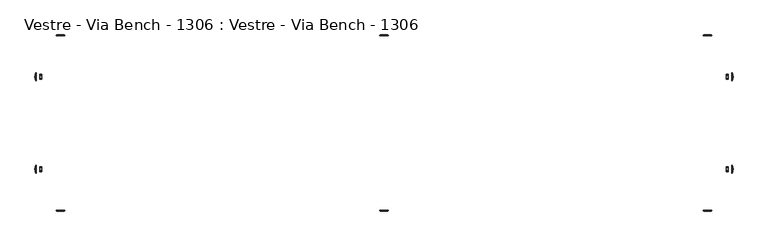
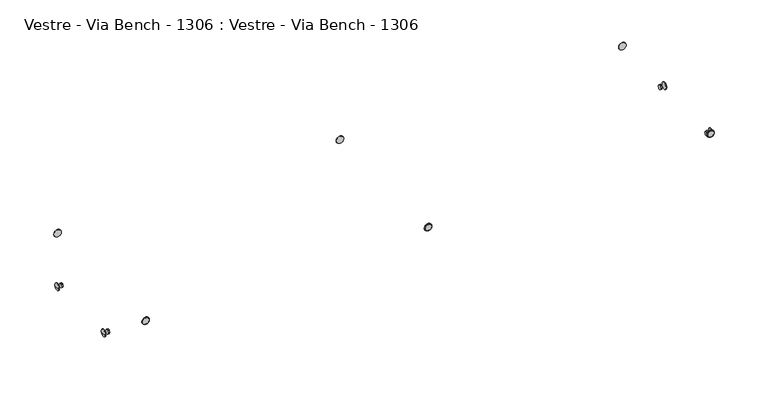
"""IFC4 building model written with IfcOpenShell, lengths in millimetres: furniture geometry, Vestre - Via Bench - 1306 : Vestre - Via Bench - 1306."""

from ifc_helpers import new_model, si_unit, point, frame, origin, place, context, project, spatial, polyline, circle_curve, ellipse_curve, trimmed, faceted_brep, source, transform, mapped, element, save
from ifc_brep_helpers import plane_surface, cylinder_surface, revolved_surface, advanced_brep


def vestre_via_bench_1306_vestre_via_bench_1306_6b262dde(model_context):
    return source(origin(), model_context, "Body", "SolidModel", [
        advanced_brep(
        [(-955.8995329, -257.2, 414.0553515), (-934.0131788, -257.2, 414.0553515), (-932.4972559, -254.7292979, 414.0553515), (-957.4154558, -254.7292979, 414.0553515), (-932.4972559, -255.6840771, 414.0553515), (-957.4154558, -255.6840771, 414.0553515)],
        [
            (0, 1, circle_curve(frame((-944.9563558, -257.2, 414.0553515), z_axis=(0.0, -1.0, 0.0), x_axis=(-1.0, 0.0, 0.0)), 10.943177)),
            (1, 0, circle_curve(frame((-944.9563558, -257.2, 414.0553515), z_axis=(0.0, -1.0, 0.0), x_axis=(1.0, 0.0, 0.0)), 10.943177)),
            (2, 3, circle_curve(frame((-944.9563558, -254.7292979, 414.0553515), z_axis=(0.0, 1.0, 0.0), x_axis=(-1.0, 0.0, 0.0)), 12.4590999)),
            (3, 2, circle_curve(frame((-944.9563558, -254.7292979, 414.0553515), z_axis=(0.0, 1.0, 0.0), x_axis=(1.0, 0.0, 0.0)), 12.4590999)),
            (4, 5, circle_curve(frame((-944.9563558, -255.6840771, 414.0553515), z_axis=(0.0, 1.0, 0.0), x_axis=(-1.0, 0.0, 0.0)), 12.4590999)),
            (5, 3),
            (2, 4),
            (4, 1),
            (0, 5),
            (5, 4, circle_curve(frame((-944.9563558, -255.6840771, 414.0553515), z_axis=(0.0, 1.0, 0.0), x_axis=(1.0, 0.0, 0.0)), 12.4590999)),
        ],
        [
            plane_surface(frame((-946.9111476, -257.2, 414.0553515), z_axis=(0.0, -1.0, 0.0), x_axis=(0.0, 0.0, -1.0))),
            plane_surface(frame((-946.9111476, -254.7292979, 414.0553515), z_axis=(0.0, 1.0, 0.0), x_axis=(0.0, 0.0, 1.0))),
            cylinder_surface(frame((-944.9563558, 0.0, 414.0553515), z_axis=(0.0, -1.0, 0.0), x_axis=(-1.0, 0.0, 0.0)), 12.4590999),
            revolved_surface(polyline([(-957.4154558, -255.6840771, 414.0553515), (-955.8995329, -257.2, 414.0553515)]), (-944.9563558, 0.0, 414.0553515), (0.0, -1.0, 0.0)),
            cylinder_surface(frame((-944.9563558, 0.0, 414.0553515), z_axis=(0.0, -1.0, 0.0), x_axis=(1.0, 0.0, 0.0)), 12.4590999),
            revolved_surface(polyline([(-932.4972559, -255.6840771, 414.0553515), (-934.0131788, -257.2, 414.0553515)]), (-944.9563558, 0.0, 414.0553515), (0.0, -1.0, 0.0)),
        ],
        [
            (0, [[1, 2]]),
            (1, [[3, 4]]),
            (2, [[5, 6, -3, 7]]),
            (3, [[-5, 8, -1, 9]]),
            (4, [[-6, 10, -7, -4]]),
            (5, [[-9, -2, -8, -10]]),
        ],
    ),
        faceted_brep([(-999.0521114, -138.7924397, 328.6120499), (-999.0521114, -141.8658905, 323.2886769), (-999.0521114, -141.8658905, 322.1120499), (-999.0521114, -138.7924397, 316.7886769), (-999.0521114, -137.7734508, 316.2003634), (-999.0521114, -131.6265492, 316.2003634), (-999.0521114, -130.6075603, 316.7886769), (-999.0521114, -127.5341095, 322.1120499), (-999.0521114, -127.5341095, 323.2886769), (-999.0521114, -130.6075603, 328.6120499), (-999.0521114, -131.6265492, 329.2003634), (-999.0521114, -137.7734508, 329.2003634), (-1004.9999893, -138.7924397, 328.6120499), (-1004.9999893, -137.7734508, 329.2003634), (-1004.9999893, -131.6265492, 329.2003634), (-1004.9999893, -130.6075603, 328.6120499), (-1004.9999893, -127.5341095, 323.2886769), (-1004.9999893, -127.5341095, 322.1120499), (-1004.9999893, -130.6075603, 316.7886769), (-1004.9999893, -131.6265492, 316.2003634), (-1004.9999893, -137.7734508, 316.2003634), (-1004.9999893, -138.7924397, 316.7886769), (-1004.9999893, -141.8658905, 322.1120499), (-1004.9999893, -141.8658905, 323.2886769)], [[[0, 1, 2, 3, 4, 5, 6, 7, 8, 9, 10, 11]], [[12, 13, 14, 15, 16, 17, 18, 19, 20, 21, 22, 23]], [[0, 11, 13, 12]], [[11, 10, 14, 13]], [[10, 9, 15, 14]], [[9, 8, 16, 15]], [[8, 7, 17, 16]], [[7, 6, 18, 17]], [[6, 5, 19, 18]], [[5, 4, 20, 19]], [[4, 3, 21, 20]], [[3, 2, 22, 21]], [[2, 1, 23, 22]], [[1, 0, 12, 23]]]),
        advanced_brep(
        [(-1019.4648132, -136.4159903, 322.7003634), (-1016.5092775, -146.6695892, 322.7003634), (-1016.5092775, -122.7304108, 322.7003634), (-1019.4648132, -132.9840097, 322.7003634), (-1014.84, -122.7304108, 322.7003634), (-1014.84, -146.6695892, 322.7003634)],
        [
            (0, 1, circle_curve(frame((-1000.2007111, -136.4159903, 322.7003634), z_axis=(0.0, 0.0, 1.0), x_axis=(1.0, 0.0, 0.0)), 19.2641021)),
            (1, 2, circle_curve(frame((-1016.5092775, -134.7, 322.7003634), z_axis=(-1.0, 0.0, 0.0), x_axis=(0.0, -1.0, 0.0)), 11.9695892)),
            (2, 3, circle_curve(frame((-1000.2007111, -132.9840097, 322.7003634), z_axis=(0.0, 0.0, 1.0), x_axis=(1.0, 0.0, 0.0)), 19.2641021)),
            (3, 0, circle_curve(frame((-1019.4648132, -134.7, 322.7003634), z_axis=(1.0, 0.0, 0.0), x_axis=(0.0, -1.0, 0.0)), 1.7159903)),
            (0, 3, circle_curve(frame((-1019.4648132, -134.7, 322.7003634), z_axis=(1.0, 0.0, 0.0), x_axis=(0.0, 1.0, 0.0)), 1.7159903)),
            (2, 1, circle_curve(frame((-1016.5092775, -134.7, 322.7003634), z_axis=(-1.0, 0.0, 0.0), x_axis=(0.0, 1.0, 0.0)), 11.9695892)),
            (4, 5, circle_curve(frame((-1014.84, -134.7, 322.7003634), z_axis=(1.0, 0.0, 0.0), x_axis=(0.0, -1.0, 0.0)), 11.9695892)),
            (5, 4, circle_curve(frame((-1014.84, -134.7, 322.7003634), z_axis=(1.0, 0.0, 0.0), x_axis=(0.0, 1.0, 0.0)), 11.9695892)),
            (5, 1),
            (2, 4),
        ],
        [
            revolved_surface(trimmed(ellipse_curve(frame((-1000.2007111, -136.4159903, 322.7003634), z_axis=(0.0, 0.0, -1.0), x_axis=(1.0, 0.0, 0.0)), 19.2641021, 19.2641021), [point((-1016.5092775, -146.6695892, 322.7003634))], [point((-1019.4648132, -136.4159903, 322.7003634))], True, "CARTESIAN"), (0.0, -134.7, 322.7003634), (-1.0, 0.0, 0.0)),
            revolved_surface(trimmed(ellipse_curve(frame((-1000.2007111, -132.9840097, 322.7003634), z_axis=(0.0, 0.0, 1.0), x_axis=(1.0, 0.0, 0.0)), 19.2641021, 19.2641021), [point((-1016.5092775, -122.7304108, 322.7003634))], [point((-1019.4648132, -132.9840097, 322.7003634))], True, "CARTESIAN"), (0.0, -134.7, 322.7003634), (-1.0, 0.0, 0.0)),
            plane_surface(frame((-1019.4648132, -132.9840097, 322.7003634), z_axis=(-1.0, 0.0, 0.0), x_axis=(0.0, 0.0, -1.0))),
            plane_surface(frame((-1014.84, -146.6695892, 322.7003634), z_axis=(1.0, 0.0, 0.0), x_axis=(0.0, 0.0, -1.0))),
            cylinder_surface(frame((-1016.5092775, -134.7, 322.7003634), z_axis=(1.0, 0.0, 0.0), x_axis=(0.0, 1.0, 0.0)), 11.9695892),
            cylinder_surface(frame((-1016.5092775, -134.7, 322.7003634), z_axis=(1.0, 0.0, 0.0), x_axis=(0.0, -1.0, 0.0)), 11.9695892),
        ],
        [
            (0, [[1, 2, 3, 4]]),
            (1, [[-1, 5, -3, 6]]),
            (2, [[-4, -5]]),
            (3, [[7, 8]]),
            (4, [[-8, 9, -6, 10]]),
            (5, [[-7, -10, -2, -9]]),
        ],
    ),
        advanced_brep(
        [(-12.4590999, -254.7292979, 414.0553515), (12.4590999, -254.7292979, 414.0553515), (12.4590999, -255.6840771, 414.0553515), (-12.4590999, -255.6840771, 414.0553515), (10.943177, -257.2, 414.0553515), (-10.943177, -257.2, 414.0553515)],
        [
            (0, 1, circle_curve(frame((0.0, -254.7292979, 414.0553515), z_axis=(0.0, -1.0, 0.0), x_axis=(1.0, 0.0, 0.0)), 12.4590999)),
            (1, 2),
            (2, 3, circle_curve(frame((0.0, -255.6840771, 414.0553515), z_axis=(0.0, 1.0, 0.0), x_axis=(1.0, 0.0, 0.0)), 12.4590999)),
            (3, 0),
            (2, 4),
            (4, 5, circle_curve(frame((0.0, -257.2, 414.0553515), z_axis=(0.0, 1.0, 0.0), x_axis=(1.0, 0.0, 0.0)), 10.943177)),
            (5, 3),
            (0, 1, circle_curve(frame((0.0, -254.7292979, 414.0553515), z_axis=(0.0, 1.0, 0.0), x_axis=(-1.0, 0.0, 0.0)), 12.4590999)),
            (3, 2, circle_curve(frame((0.0, -255.6840771, 414.0553515), z_axis=(0.0, 1.0, 0.0), x_axis=(-1.0, 0.0, 0.0)), 12.4590999)),
            (5, 4, circle_curve(frame((0.0, -257.2, 414.0553515), z_axis=(0.0, 1.0, 0.0), x_axis=(-1.0, 0.0, 0.0)), 10.943177)),
        ],
        [
            cylinder_surface(frame((0.0, 0.0, 414.0553515), z_axis=(0.0, 1.0, 0.0), x_axis=(1.0, 0.0, 0.0)), 12.4590999),
            revolved_surface(polyline([(10.943177, -257.2, 414.0553515), (12.4590999, -255.6840771, 414.0553515)]), (0.0, 0.0, 414.0553515), (0.0, 1.0, 0.0)),
            plane_surface(frame((0.0, -254.7292979, 414.0553515), z_axis=(0.0, 1.0, 0.0), x_axis=(-1.0, 0.0, 0.0))),
            cylinder_surface(frame((0.0, 0.0, 414.0553515), z_axis=(0.0, 1.0, 0.0), x_axis=(-1.0, 0.0, 0.0)), 12.4590999),
            revolved_surface(polyline([(-10.943177, -257.2, 414.0553515), (-12.4590999, -255.6840771, 414.0553515)]), (0.0, 0.0, 414.0553515), (0.0, 1.0, 0.0)),
            plane_surface(frame((0.0, -257.2, 414.0553515), z_axis=(0.0, -1.0, 0.0), x_axis=(-1.0, 0.0, 0.0))),
        ],
        [
            (0, [[1, 2, 3, 4]]),
            (1, [[-3, 5, 6, 7]]),
            (2, [[-1, 8]]),
            (3, [[-2, -8, -4, 9]]),
            (4, [[-5, -9, -7, 10]]),
            (5, [[-6, -10]]),
        ],
    ),
        advanced_brep(
        [(932.4972559, -254.7292979, 414.0553515), (957.4154558, -254.7292979, 414.0553515), (957.4154558, -255.6840771, 414.0553515), (932.4972559, -255.6840771, 414.0553515), (955.8995329, -257.2, 414.0553515), (934.0131788, -257.2, 414.0553515)],
        [
            (0, 1, circle_curve(frame((944.9563558, -254.7292979, 414.0553515), z_axis=(0.0, -1.0, 0.0), x_axis=(1.0, 0.0, 0.0)), 12.4590999)),
            (1, 2),
            (2, 3, circle_curve(frame((944.9563558, -255.6840771, 414.0553515), z_axis=(0.0, 1.0, 0.0), x_axis=(1.0, 0.0, 0.0)), 12.4590999)),
            (3, 0),
            (2, 4),
            (4, 5, circle_curve(frame((944.9563558, -257.2, 414.0553515), z_axis=(0.0, 1.0, 0.0), x_axis=(1.0, 0.0, 0.0)), 10.943177)),
            (5, 3),
            (0, 1, circle_curve(frame((944.9563558, -254.7292979, 414.0553515), z_axis=(0.0, 1.0, 0.0), x_axis=(-1.0, 0.0, 0.0)), 12.4590999)),
            (3, 2, circle_curve(frame((944.9563558, -255.6840771, 414.0553515), z_axis=(0.0, 1.0, 0.0), x_axis=(-1.0, 0.0, 0.0)), 12.4590999)),
            (5, 4, circle_curve(frame((944.9563558, -257.2, 414.0553515), z_axis=(0.0, 1.0, 0.0), x_axis=(-1.0, 0.0, 0.0)), 10.943177)),
        ],
        [
            cylinder_surface(frame((944.9563558, 0.0, 414.0553515), z_axis=(0.0, 1.0, 0.0), x_axis=(1.0, 0.0, 0.0)), 12.4590999),
            revolved_surface(polyline([(955.8995329, -257.2, 414.0553515), (957.4154558, -255.6840771, 414.0553515)]), (944.9563558, 0.0, 414.0553515), (0.0, 1.0, 0.0)),
            plane_surface(frame((944.9563558, -254.7292979, 414.0553515), z_axis=(0.0, 1.0, 0.0), x_axis=(-1.0, 0.0, 0.0))),
            cylinder_surface(frame((944.9563558, 0.0, 414.0553515), z_axis=(0.0, 1.0, 0.0), x_axis=(-1.0, 0.0, 0.0)), 12.4590999),
            revolved_surface(polyline([(934.0131788, -257.2, 414.0553515), (932.4972559, -255.6840771, 414.0553515)]), (944.9563558, 0.0, 414.0553515), (0.0, 1.0, 0.0)),
            plane_surface(frame((944.9563558, -257.2, 414.0553515), z_axis=(0.0, -1.0, 0.0), x_axis=(-1.0, 0.0, 0.0))),
        ],
        [
            (0, [[1, 2, 3, 4]]),
            (1, [[-3, 5, 6, 7]]),
            (2, [[-1, 8]]),
            (3, [[-2, -8, -4, 9]]),
            (4, [[-5, -9, -7, 10]]),
            (5, [[-6, -10]]),
        ],
    ),
        faceted_brep([(999.0521114, -138.7924397, 328.6120499), (999.0521114, -137.7734508, 329.2003634), (999.0521114, -131.6265492, 329.2003634), (999.0521114, -130.6075603, 328.6120499), (999.0521114, -127.5341095, 323.2886769), (999.0521114, -127.5341095, 322.1120499), (999.0521114, -130.6075603, 316.7886769), (999.0521114, -131.6265492, 316.2003634), (999.0521114, -137.7734508, 316.2003634), (999.0521114, -138.7924397, 316.7886769), (999.0521114, -141.8658905, 322.1120499), (999.0521114, -141.8658905, 323.2886769), (1004.9999893, -138.7924397, 328.6120499), (1004.9999893, -141.8658905, 323.2886769), (1004.9999893, -141.8658905, 322.1120499), (1004.9999893, -138.7924397, 316.7886769), (1004.9999893, -137.7734508, 316.2003634), (1004.9999893, -131.6265492, 316.2003634), (1004.9999893, -130.6075603, 316.7886769), (1004.9999893, -127.5341095, 322.1120499), (1004.9999893, -127.5341095, 323.2886769), (1004.9999893, -130.6075603, 328.6120499), (1004.9999893, -131.6265492, 329.2003634), (1004.9999893, -137.7734508, 329.2003634)], [[[0, 1, 2, 3, 4, 5, 6, 7, 8, 9, 10, 11]], [[12, 13, 14, 15, 16, 17, 18, 19, 20, 21, 22, 23]], [[1, 0, 12, 23]], [[2, 1, 23, 22]], [[3, 2, 22, 21]], [[4, 3, 21, 20]], [[5, 4, 20, 19]], [[6, 5, 19, 18]], [[7, 6, 18, 17]], [[8, 7, 17, 16]], [[9, 8, 16, 15]], [[10, 9, 15, 14]], [[11, 10, 14, 13]], [[0, 11, 13, 12]]]),
        advanced_brep(
        [(1016.5092775, -146.6695892, 322.7003634), (1019.4648132, -136.4159903, 322.7003634), (1019.4648132, -132.9840097, 322.7003634), (1016.5092775, -122.7304108, 322.7003634), (1014.84, -122.7304108, 322.7003634), (1014.84, -146.6695892, 322.7003634)],
        [
            (0, 1, circle_curve(frame((1000.2007111, -136.4159903, 322.7003634), z_axis=(0.0, 0.0, 1.0), x_axis=(-1.0, 0.0, 0.0)), 19.2641021)),
            (1, 2, circle_curve(frame((1019.4648132, -134.7, 322.7003634), z_axis=(-1.0, 0.0, 0.0), x_axis=(0.0, -1.0, 0.0)), 1.7159903)),
            (2, 3, circle_curve(frame((1000.2007111, -132.9840097, 322.7003634), z_axis=(0.0, 0.0, 1.0), x_axis=(-1.0, 0.0, 0.0)), 19.2641021)),
            (3, 0, circle_curve(frame((1016.5092775, -134.7, 322.7003634), z_axis=(1.0, 0.0, 0.0), x_axis=(0.0, -1.0, 0.0)), 11.9695892)),
            (0, 3, circle_curve(frame((1016.5092775, -134.7, 322.7003634), z_axis=(1.0, 0.0, 0.0), x_axis=(0.0, 1.0, 0.0)), 11.9695892)),
            (2, 1, circle_curve(frame((1019.4648132, -134.7, 322.7003634), z_axis=(-1.0, 0.0, 0.0), x_axis=(0.0, 1.0, 0.0)), 1.7159903)),
            (4, 5, circle_curve(frame((1014.84, -134.7, 322.7003634), z_axis=(-1.0, 0.0, 0.0), x_axis=(0.0, 1.0, 0.0)), 11.9695892)),
            (5, 4, circle_curve(frame((1014.84, -134.7, 322.7003634), z_axis=(-1.0, 0.0, 0.0), x_axis=(0.0, -1.0, 0.0)), 11.9695892)),
            (4, 3),
            (0, 5),
        ],
        [
            revolved_surface(trimmed(ellipse_curve(frame((1000.2007111, -136.4159903, 322.7003634), z_axis=(0.0, 0.0, -1.0), x_axis=(-1.0, 0.0, 0.0)), 19.2641021, 19.2641021), [point((1019.4648132, -136.4159903, 322.7003634))], [point((1016.5092775, -146.6695892, 322.7003634))], True, "CARTESIAN"), (0.0, -134.7, 322.7003634), (-1.0, 0.0, 0.0)),
            revolved_surface(trimmed(ellipse_curve(frame((1000.2007111, -132.9840097, 322.7003634), z_axis=(0.0, 0.0, 1.0), x_axis=(-1.0, 0.0, 0.0)), 19.2641021, 19.2641021), [point((1019.4648132, -132.9840097, 322.7003634))], [point((1016.5092775, -122.7304108, 322.7003634))], True, "CARTESIAN"), (0.0, -134.7, 322.7003634), (-1.0, 0.0, 0.0)),
            plane_surface(frame((1019.4648132, -136.4159903, 322.7003634), z_axis=(1.0, 0.0, 0.0), x_axis=(0.0, 0.0, -1.0))),
            plane_surface(frame((1014.84, -122.7304108, 322.7003634), z_axis=(-1.0, 0.0, 0.0), x_axis=(0.0, 0.0, -1.0))),
            cylinder_surface(frame((1016.5092775, -134.7, 322.7003634), z_axis=(-1.0, 0.0, 0.0), x_axis=(0.0, 1.0, 0.0)), 11.9695892),
            cylinder_surface(frame((1016.5092775, -134.7, 322.7003634), z_axis=(-1.0, 0.0, 0.0), x_axis=(0.0, -1.0, 0.0)), 11.9695892),
        ],
        [
            (0, [[1, 2, 3, 4]]),
            (1, [[-1, 5, -3, 6]]),
            (2, [[-2, -6]]),
            (3, [[7, 8]]),
            (4, [[-7, 9, -5, 10]]),
            (5, [[-8, -10, -4, -9]]),
        ],
    ),
        faceted_brep([(999.0521114, 138.7924397, 328.6120499), (999.0521114, 141.8658905, 323.2886769), (999.0521114, 141.8658905, 322.1120499), (999.0521114, 138.7924397, 316.7886769), (999.0521114, 137.7734508, 316.2003634), (999.0521114, 131.6265492, 316.2003634), (999.0521114, 130.6075603, 316.7886769), (999.0521114, 127.5341095, 322.1120499), (999.0521114, 127.5341095, 323.2886769), (999.0521114, 130.6075603, 328.6120499), (999.0521114, 131.6265492, 329.2003634), (999.0521114, 137.7734508, 329.2003634), (1004.9999893, 138.7924397, 328.6120499), (1004.9999893, 137.7734508, 329.2003634), (1004.9999893, 131.6265492, 329.2003634), (1004.9999893, 130.6075603, 328.6120499), (1004.9999893, 127.5341095, 323.2886769), (1004.9999893, 127.5341095, 322.1120499), (1004.9999893, 130.6075603, 316.7886769), (1004.9999893, 131.6265492, 316.2003634), (1004.9999893, 137.7734508, 316.2003634), (1004.9999893, 138.7924397, 316.7886769), (1004.9999893, 141.8658905, 322.1120499), (1004.9999893, 141.8658905, 323.2886769)], [[[0, 1, 2, 3, 4, 5, 6, 7, 8, 9, 10, 11]], [[12, 13, 14, 15, 16, 17, 18, 19, 20, 21, 22, 23]], [[0, 11, 13, 12]], [[11, 10, 14, 13]], [[10, 9, 15, 14]], [[9, 8, 16, 15]], [[8, 7, 17, 16]], [[7, 6, 18, 17]], [[6, 5, 19, 18]], [[5, 4, 20, 19]], [[4, 3, 21, 20]], [[3, 2, 22, 21]], [[2, 1, 23, 22]], [[1, 0, 12, 23]]]),
        advanced_brep(
        [(1019.4648132, 136.4159903, 322.7003634), (1016.5092775, 146.6695892, 322.7003634), (1016.5092775, 122.7304108, 322.7003634), (1019.4648132, 132.9840097, 322.7003634), (1014.84, 122.7304108, 322.7003634), (1014.84, 146.6695892, 322.7003634)],
        [
            (0, 1, circle_curve(frame((1000.2007111, 136.4159903, 322.7003634), z_axis=(0.0, 0.0, 1.0), x_axis=(-1.0, 0.0, 0.0)), 19.2641021)),
            (1, 2, circle_curve(frame((1016.5092775, 134.7, 322.7003634), z_axis=(1.0, 0.0, 0.0), x_axis=(0.0, 1.0, 0.0)), 11.9695892)),
            (2, 3, circle_curve(frame((1000.2007111, 132.9840097, 322.7003634), z_axis=(0.0, 0.0, 1.0), x_axis=(-1.0, 0.0, 0.0)), 19.2641021)),
            (3, 0, circle_curve(frame((1019.4648132, 134.7, 322.7003634), z_axis=(-1.0, 0.0, 0.0), x_axis=(0.0, 1.0, 0.0)), 1.7159903)),
            (0, 3, circle_curve(frame((1019.4648132, 134.7, 322.7003634), z_axis=(-1.0, 0.0, 0.0), x_axis=(0.0, -1.0, 0.0)), 1.7159903)),
            (2, 1, circle_curve(frame((1016.5092775, 134.7, 322.7003634), z_axis=(1.0, 0.0, 0.0), x_axis=(0.0, -1.0, 0.0)), 11.9695892)),
            (4, 5, circle_curve(frame((1014.84, 134.7, 322.7003634), z_axis=(-1.0, 0.0, 0.0), x_axis=(0.0, 1.0, 0.0)), 11.9695892)),
            (5, 4, circle_curve(frame((1014.84, 134.7, 322.7003634), z_axis=(-1.0, 0.0, 0.0), x_axis=(0.0, -1.0, 0.0)), 11.9695892)),
            (5, 1),
            (2, 4),
        ],
        [
            revolved_surface(trimmed(ellipse_curve(frame((1000.2007111, 136.4159903, 322.7003634), z_axis=(0.0, 0.0, -1.0), x_axis=(-1.0, 0.0, 0.0)), 19.2641021, 19.2641021), [point((1016.5092775, 146.6695892, 322.7003634))], [point((1019.4648132, 136.4159903, 322.7003634))], True, "CARTESIAN"), (0.0, 134.7, 322.7003634), (1.0, 0.0, 0.0)),
            revolved_surface(trimmed(ellipse_curve(frame((1000.2007111, 132.9840097, 322.7003634), z_axis=(0.0, 0.0, 1.0), x_axis=(-1.0, 0.0, 0.0)), 19.2641021, 19.2641021), [point((1016.5092775, 122.7304108, 322.7003634))], [point((1019.4648132, 132.9840097, 322.7003634))], True, "CARTESIAN"), (0.0, 134.7, 322.7003634), (1.0, 0.0, 0.0)),
            plane_surface(frame((1019.4648132, 132.9840097, 322.7003634), z_axis=(1.0, 0.0, 0.0), x_axis=(0.0, 0.0, -1.0))),
            plane_surface(frame((1014.84, 146.6695892, 322.7003634), z_axis=(-1.0, 0.0, 0.0), x_axis=(0.0, 0.0, -1.0))),
            cylinder_surface(frame((1016.5092775, 134.7, 322.7003634), z_axis=(-1.0, 0.0, 0.0), x_axis=(0.0, -1.0, 0.0)), 11.9695892),
            cylinder_surface(frame((1016.5092775, 134.7, 322.7003634), z_axis=(-1.0, 0.0, 0.0), x_axis=(0.0, 1.0, 0.0)), 11.9695892),
        ],
        [
            (0, [[1, 2, 3, 4]]),
            (1, [[-1, 5, -3, 6]]),
            (2, [[-4, -5]]),
            (3, [[7, 8]]),
            (4, [[-8, 9, -6, 10]]),
            (5, [[-7, -10, -2, -9]]),
        ],
    ),
        advanced_brep(
        [(932.4972559, 255.6840771, 414.0553515), (957.4154558, 255.6840771, 414.0553515), (957.4154558, 254.7292979, 414.0553515), (932.4972559, 254.7292979, 414.0553515), (934.0131788, 257.2, 414.0553515), (955.8995329, 257.2, 414.0553515)],
        [
            (0, 1, circle_curve(frame((944.9563558, 255.6840771, 414.0553515), z_axis=(0.0, -1.0, 0.0), x_axis=(1.0, 0.0, 0.0)), 12.4590999)),
            (1, 2),
            (2, 3, circle_curve(frame((944.9563558, 254.7292979, 414.0553515), z_axis=(0.0, 1.0, 0.0), x_axis=(1.0, 0.0, 0.0)), 12.4590999)),
            (3, 0),
            (0, 4),
            (4, 5, circle_curve(frame((944.9563558, 257.2, 414.0553515), z_axis=(0.0, -1.0, 0.0), x_axis=(1.0, 0.0, 0.0)), 10.943177)),
            (5, 1),
            (2, 3, circle_curve(frame((944.9563558, 254.7292979, 414.0553515), z_axis=(0.0, -1.0, 0.0), x_axis=(-1.0, 0.0, 0.0)), 12.4590999)),
            (1, 0, circle_curve(frame((944.9563558, 255.6840771, 414.0553515), z_axis=(0.0, -1.0, 0.0), x_axis=(-1.0, 0.0, 0.0)), 12.4590999)),
            (5, 4, circle_curve(frame((944.9563558, 257.2, 414.0553515), z_axis=(0.0, -1.0, 0.0), x_axis=(-1.0, 0.0, 0.0)), 10.943177)),
        ],
        [
            cylinder_surface(frame((944.9563558, 0.0, 414.0553515), z_axis=(0.0, 1.0, 0.0), x_axis=(1.0, 0.0, 0.0)), 12.4590999),
            revolved_surface(polyline([(957.4154558, 255.6840771, 414.0553515), (955.8995329, 257.2, 414.0553515)]), (944.9563558, 0.0, 414.0553515), (0.0, 1.0, 0.0)),
            plane_surface(frame((944.9563558, 254.7292979, 414.0553515), z_axis=(0.0, -1.0, 0.0), x_axis=(-1.0, 0.0, 0.0))),
            cylinder_surface(frame((944.9563558, 0.0, 414.0553515), z_axis=(0.0, 1.0, 0.0), x_axis=(-1.0, 0.0, 0.0)), 12.4590999),
            revolved_surface(polyline([(932.4972559, 255.6840771, 414.0553515), (934.0131788, 257.2, 414.0553515)]), (944.9563558, 0.0, 414.0553515), (0.0, 1.0, 0.0)),
            plane_surface(frame((944.9563558, 257.2, 414.0553515), z_axis=(0.0, 1.0, 0.0), x_axis=(-1.0, 0.0, 0.0))),
        ],
        [
            (0, [[1, 2, 3, 4]]),
            (1, [[-1, 5, 6, 7]]),
            (2, [[-3, 8]]),
            (3, [[-2, 9, -4, -8]]),
            (4, [[-7, 10, -5, -9]]),
            (5, [[-6, -10]]),
        ],
    ),
        advanced_brep(
        [(-12.4590999, 255.6840771, 414.0553515), (12.4590999, 255.6840771, 414.0553515), (12.4590999, 254.7292979, 414.0553515), (-12.4590999, 254.7292979, 414.0553515), (-10.943177, 257.2, 414.0553515), (10.943177, 257.2, 414.0553515)],
        [
            (0, 1, circle_curve(frame((0.0, 255.6840771, 414.0553515), z_axis=(0.0, -1.0, 0.0), x_axis=(1.0, 0.0, 0.0)), 12.4590999)),
            (1, 2),
            (2, 3, circle_curve(frame((0.0, 254.7292979, 414.0553515), z_axis=(0.0, 1.0, 0.0), x_axis=(1.0, 0.0, 0.0)), 12.4590999)),
            (3, 0),
            (0, 4),
            (4, 5, circle_curve(frame((0.0, 257.2, 414.0553515), z_axis=(0.0, -1.0, 0.0), x_axis=(1.0, 0.0, 0.0)), 10.943177)),
            (5, 1),
            (2, 3, circle_curve(frame((0.0, 254.7292979, 414.0553515), z_axis=(0.0, -1.0, 0.0), x_axis=(-1.0, 0.0, 0.0)), 12.4590999)),
            (1, 0, circle_curve(frame((0.0, 255.6840771, 414.0553515), z_axis=(0.0, -1.0, 0.0), x_axis=(-1.0, 0.0, 0.0)), 12.4590999)),
            (5, 4, circle_curve(frame((0.0, 257.2, 414.0553515), z_axis=(0.0, -1.0, 0.0), x_axis=(-1.0, 0.0, 0.0)), 10.943177)),
        ],
        [
            cylinder_surface(frame((0.0, 0.0, 414.0553515), z_axis=(0.0, 1.0, 0.0), x_axis=(1.0, 0.0, 0.0)), 12.4590999),
            revolved_surface(polyline([(12.4590999, 255.6840771, 414.0553515), (10.943177, 257.2, 414.0553515)]), (0.0, 0.0, 414.0553515), (0.0, 1.0, 0.0)),
            plane_surface(frame((0.0, 254.7292979, 414.0553515), z_axis=(0.0, -1.0, 0.0), x_axis=(-1.0, 0.0, 0.0))),
            cylinder_surface(frame((0.0, 0.0, 414.0553515), z_axis=(0.0, 1.0, 0.0), x_axis=(-1.0, 0.0, 0.0)), 12.4590999),
            revolved_surface(polyline([(-12.4590999, 255.6840771, 414.0553515), (-10.943177, 257.2, 414.0553515)]), (0.0, 0.0, 414.0553515), (0.0, 1.0, 0.0)),
            plane_surface(frame((0.0, 257.2, 414.0553515), z_axis=(0.0, 1.0, 0.0), x_axis=(-1.0, 0.0, 0.0))),
        ],
        [
            (0, [[1, 2, 3, 4]]),
            (1, [[-1, 5, 6, 7]]),
            (2, [[-3, 8]]),
            (3, [[-2, 9, -4, -8]]),
            (4, [[-7, 10, -5, -9]]),
            (5, [[-6, -10]]),
        ],
    ),
        advanced_brep(
        [(-932.4972559, 254.7292979, 414.0553515), (-957.4154558, 254.7292979, 414.0553515), (-957.4154558, 255.6840771, 414.0553515), (-932.4972559, 255.6840771, 414.0553515), (-955.8995329, 257.2, 414.0553515), (-934.0131788, 257.2, 414.0553515)],
        [
            (0, 1, circle_curve(frame((-944.9563558, 254.7292979, 414.0553515), z_axis=(0.0, 1.0, 0.0), x_axis=(-1.0, 0.0, 0.0)), 12.4590999)),
            (1, 2),
            (2, 3, circle_curve(frame((-944.9563558, 255.6840771, 414.0553515), z_axis=(0.0, -1.0, 0.0), x_axis=(-1.0, 0.0, 0.0)), 12.4590999)),
            (3, 0),
            (2, 4),
            (4, 5, circle_curve(frame((-944.9563558, 257.2, 414.0553515), z_axis=(0.0, -1.0, 0.0), x_axis=(-1.0, 0.0, 0.0)), 10.943177)),
            (5, 3),
            (0, 1, circle_curve(frame((-944.9563558, 254.7292979, 414.0553515), z_axis=(0.0, -1.0, 0.0), x_axis=(1.0, 0.0, 0.0)), 12.4590999)),
            (3, 2, circle_curve(frame((-944.9563558, 255.6840771, 414.0553515), z_axis=(0.0, -1.0, 0.0), x_axis=(1.0, 0.0, 0.0)), 12.4590999)),
            (5, 4, circle_curve(frame((-944.9563558, 257.2, 414.0553515), z_axis=(0.0, -1.0, 0.0), x_axis=(1.0, 0.0, 0.0)), 10.943177)),
        ],
        [
            cylinder_surface(frame((-944.9563558, 0.0, 414.0553515), z_axis=(0.0, -1.0, 0.0), x_axis=(-1.0, 0.0, 0.0)), 12.4590999),
            revolved_surface(polyline([(-955.8995329, 257.2, 414.0553515), (-957.4154558, 255.6840771, 414.0553515)]), (-944.9563558, 0.0, 414.0553515), (0.0, -1.0, 0.0)),
            plane_surface(frame((-944.9563558, 254.7292979, 414.0553515), z_axis=(0.0, -1.0, 0.0), x_axis=(1.0, 0.0, 0.0))),
            cylinder_surface(frame((-944.9563558, 0.0, 414.0553515), z_axis=(0.0, -1.0, 0.0), x_axis=(1.0, 0.0, 0.0)), 12.4590999),
            revolved_surface(polyline([(-934.0131788, 257.2, 414.0553515), (-932.4972559, 255.6840771, 414.0553515)]), (-944.9563558, 0.0, 414.0553515), (0.0, -1.0, 0.0)),
            plane_surface(frame((-944.9563558, 257.2, 414.0553515), z_axis=(0.0, 1.0, 0.0), x_axis=(1.0, 0.0, 0.0))),
        ],
        [
            (0, [[1, 2, 3, 4]]),
            (1, [[-3, 5, 6, 7]]),
            (2, [[-1, 8]]),
            (3, [[-2, -8, -4, 9]]),
            (4, [[-5, -9, -7, 10]]),
            (5, [[-6, -10]]),
        ],
    ),
        faceted_brep([(-999.0521114, 138.7924397, 328.6120499), (-999.0521114, 137.7734508, 329.2003634), (-999.0521114, 131.6265492, 329.2003634), (-999.0521114, 130.6075603, 328.6120499), (-999.0521114, 127.5341095, 323.2886769), (-999.0521114, 127.5341095, 322.1120499), (-999.0521114, 130.6075603, 316.7886769), (-999.0521114, 131.6265492, 316.2003634), (-999.0521114, 137.7734508, 316.2003634), (-999.0521114, 138.7924397, 316.7886769), (-999.0521114, 141.8658905, 322.1120499), (-999.0521114, 141.8658905, 323.2886769), (-1004.9999893, 138.7924397, 328.6120499), (-1004.9999893, 141.8658905, 323.2886769), (-1004.9999893, 141.8658905, 322.1120499), (-1004.9999893, 138.7924397, 316.7886769), (-1004.9999893, 137.7734508, 316.2003634), (-1004.9999893, 131.6265492, 316.2003634), (-1004.9999893, 130.6075603, 316.7886769), (-1004.9999893, 127.5341095, 322.1120499), (-1004.9999893, 127.5341095, 323.2886769), (-1004.9999893, 130.6075603, 328.6120499), (-1004.9999893, 131.6265492, 329.2003634), (-1004.9999893, 137.7734508, 329.2003634)], [[[0, 1, 2, 3, 4, 5, 6, 7, 8, 9, 10, 11]], [[12, 13, 14, 15, 16, 17, 18, 19, 20, 21, 22, 23]], [[1, 0, 12, 23]], [[2, 1, 23, 22]], [[3, 2, 22, 21]], [[4, 3, 21, 20]], [[5, 4, 20, 19]], [[6, 5, 19, 18]], [[7, 6, 18, 17]], [[8, 7, 17, 16]], [[9, 8, 16, 15]], [[10, 9, 15, 14]], [[11, 10, 14, 13]], [[0, 11, 13, 12]]]),
        advanced_brep(
        [(-1016.5092775, 146.6695892, 322.7003634), (-1019.4648132, 136.4159903, 322.7003634), (-1019.4648132, 132.9840097, 322.7003634), (-1016.5092775, 122.7304108, 322.7003634), (-1014.84, 122.7304108, 322.7003634), (-1014.84, 146.6695892, 322.7003634)],
        [
            (0, 1, circle_curve(frame((-1000.2007111, 136.4159903, 322.7003634), z_axis=(0.0, 0.0, 1.0), x_axis=(1.0, 0.0, 0.0)), 19.2641021)),
            (1, 2, circle_curve(frame((-1019.4648132, 134.7, 322.7003634), z_axis=(1.0, 0.0, 0.0), x_axis=(0.0, 1.0, 0.0)), 1.7159903)),
            (2, 3, circle_curve(frame((-1000.2007111, 132.9840097, 322.7003634), z_axis=(0.0, 0.0, 1.0), x_axis=(1.0, 0.0, 0.0)), 19.2641021)),
            (3, 0, circle_curve(frame((-1016.5092775, 134.7, 322.7003634), z_axis=(-1.0, 0.0, 0.0), x_axis=(0.0, 1.0, 0.0)), 11.9695892)),
            (0, 3, circle_curve(frame((-1016.5092775, 134.7, 322.7003634), z_axis=(-1.0, 0.0, 0.0), x_axis=(0.0, -1.0, 0.0)), 11.9695892)),
            (2, 1, circle_curve(frame((-1019.4648132, 134.7, 322.7003634), z_axis=(1.0, 0.0, 0.0), x_axis=(0.0, -1.0, 0.0)), 1.7159903)),
            (4, 5, circle_curve(frame((-1014.84, 134.7, 322.7003634), z_axis=(1.0, 0.0, 0.0), x_axis=(0.0, -1.0, 0.0)), 11.9695892)),
            (5, 4, circle_curve(frame((-1014.84, 134.7, 322.7003634), z_axis=(1.0, 0.0, 0.0), x_axis=(0.0, 1.0, 0.0)), 11.9695892)),
            (4, 3),
            (0, 5),
        ],
        [
            revolved_surface(trimmed(ellipse_curve(frame((-1000.2007111, 136.4159903, 322.7003634), z_axis=(0.0, 0.0, -1.0), x_axis=(1.0, 0.0, 0.0)), 19.2641021, 19.2641021), [point((-1019.4648132, 136.4159903, 322.7003634))], [point((-1016.5092775, 146.6695892, 322.7003634))], True, "CARTESIAN"), (0.0, 134.7, 322.7003634), (1.0, 0.0, 0.0)),
            revolved_surface(trimmed(ellipse_curve(frame((-1000.2007111, 132.9840097, 322.7003634), z_axis=(0.0, 0.0, 1.0), x_axis=(1.0, 0.0, 0.0)), 19.2641021, 19.2641021), [point((-1019.4648132, 132.9840097, 322.7003634))], [point((-1016.5092775, 122.7304108, 322.7003634))], True, "CARTESIAN"), (0.0, 134.7, 322.7003634), (1.0, 0.0, 0.0)),
            plane_surface(frame((-1019.4648132, 136.4159903, 322.7003634), z_axis=(-1.0, 0.0, 0.0), x_axis=(0.0, 0.0, -1.0))),
            plane_surface(frame((-1014.84, 122.7304108, 322.7003634), z_axis=(1.0, 0.0, 0.0), x_axis=(0.0, 0.0, -1.0))),
            cylinder_surface(frame((-1016.5092775, 134.7, 322.7003634), z_axis=(1.0, 0.0, 0.0), x_axis=(0.0, -1.0, 0.0)), 11.9695892),
            cylinder_surface(frame((-1016.5092775, 134.7, 322.7003634), z_axis=(1.0, 0.0, 0.0), x_axis=(0.0, 1.0, 0.0)), 11.9695892),
        ],
        [
            (0, [[1, 2, 3, 4]]),
            (1, [[-1, 5, -3, 6]]),
            (2, [[-2, -6]]),
            (3, [[7, 8]]),
            (4, [[-7, 9, -5, 10]]),
            (5, [[-8, -10, -4, -9]]),
        ],
    ),
    ])


if __name__ == "__main__":
    model = new_model("IFC4")
    model_context = context("Model", 3, world=origin())
    ifc_project = project(units=[si_unit("LENGTHUNIT", "METRE", prefix="MILLI")], contexts=[model_context])
    site = spatial("IfcSite", under=ifc_project)
    building = spatial("IfcBuilding", under=site)
    placement = place(None, origin())
    vestre_via_bench_1306_vestre_via_bench_1306_shape = vestre_via_bench_1306_vestre_via_bench_1306_6b262dde(model_context)
    element("IfcFurniture", 1, ObjectType="Vestre - Via Bench - 1306 : Vestre - Via Bench - 1306", at=placement, inside=building, context=model_context, shape_type="MappedRepresentation", body=[
        mapped(vestre_via_bench_1306_vestre_via_bench_1306_shape, transform((0.0, 0.0, 0.0), x_axis=(1.0, 0.0, 0.0), y_axis=(0.0, 1.0, 0.0), z_axis=(0.0, 0.0, 1.0))),
    ])
    save(model, "model.ifc")
